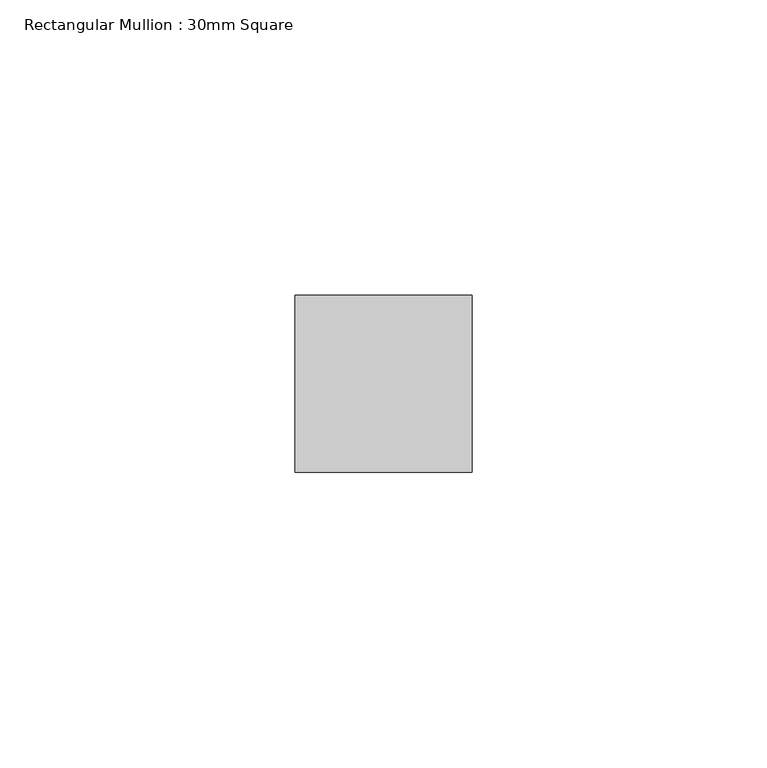
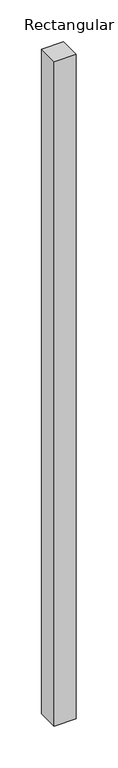
"""IFC4 building model written with IfcOpenShell, lengths in millimetres: member geometry, Rectangular Mullion : 30mm Square."""

from ifc_helpers import new_model, si_unit, frame, origin, place, context, project, spatial, polyline, outline, extrude, source, transform, mapped, element, save


def rectangular_mullion_30mm_square_c7103466(model_context):
    return source(origin(), model_context, "Body", "SweptSolid", [
        extrude(outline(polyline([(0.0, 15.0), (0.0, -15.0), (-30.0, -15.0), (-30.0, 15.0), (0.0, 15.0)])), frame((0.0, 0.0, -969.0188131), z_axis=(0.0, 0.0, 1.0), x_axis=(1.0, 0.0, 0.0)), (0.0, 0.0, 1.0), 969.0188131),
    ])


if __name__ == "__main__":
    model = new_model("IFC4")
    model_context = context("Model", 3, world=origin())
    ifc_project = project(units=[si_unit("LENGTHUNIT", "METRE", prefix="MILLI")], contexts=[model_context])
    site = spatial("IfcSite", under=ifc_project)
    building = spatial("IfcBuilding", under=site)
    placement = place(None, origin())
    rectangular_mullion_30mm_square_shape = rectangular_mullion_30mm_square_c7103466(model_context)
    element("IfcMember", 1, ObjectType="Rectangular Mullion : 30mm Square", at=placement, inside=building, context=model_context, shape_type="MappedRepresentation", body=[
        mapped(rectangular_mullion_30mm_square_shape, transform((0.0, 0.0, 0.0), x_axis=(1.0, 0.0, 0.0), y_axis=(0.0, 1.0, 0.0), z_axis=(0.0, 0.0, 1.0))),
    ])
    save(model, "model.ifc")
